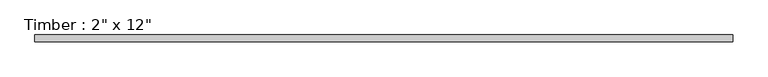
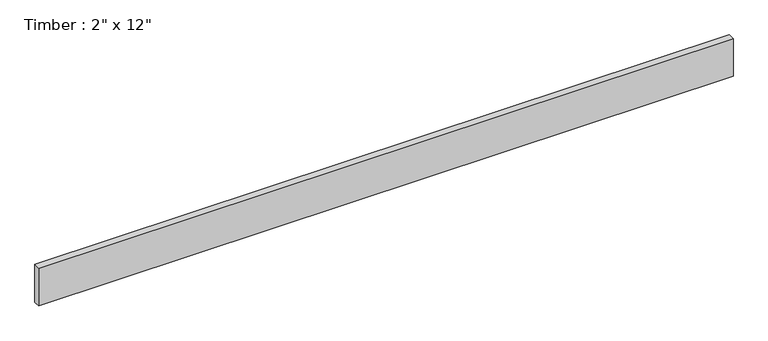
"""IFC4 building model written with IfcOpenShell, lengths in millimetres: beam geometry."""

from ifc_helpers import new_model, si_unit, frame, origin, place, context, project, spatial, polyline, outline, extrude, source, transform, mapped, element, save


def beam_68d7f250(model_context):
    return source(origin(), model_context, "Body", "SweptSolid", [
        extrude(outline(polyline([(2650.0214729, 25.4), (2650.0214729, -25.4), (-2650.0214729, -25.4), (-2650.0214729, 25.4), (2650.0214729, 25.4)])), frame((0.0, 0.0, -152.4), z_axis=(0.0, 0.0, 1.0), x_axis=(1.0, 0.0, 0.0)), (0.0, 0.0, 1.0), 304.8),
    ])


if __name__ == "__main__":
    model = new_model("IFC4")
    model_context = context("Model", 3, world=origin())
    ifc_project = project(units=[si_unit("LENGTHUNIT", "METRE", prefix="MILLI")], contexts=[model_context])
    site = spatial("IfcSite", under=ifc_project)
    building = spatial("IfcBuilding", under=site)
    placement = place(None, origin())
    beam_shape = beam_68d7f250(model_context)
    element("IfcBeam", 1, ObjectType="Timber : 2\" x 12\"", at=placement, inside=building, context=model_context, shape_type="MappedRepresentation", body=[
        mapped(beam_shape, transform((0.0, 0.0, 0.0), x_axis=(1.0, 0.0, 0.0), y_axis=(0.0, 1.0, 0.0), z_axis=(0.0, 0.0, 1.0))),
    ])
    save(model, "model.ifc")
